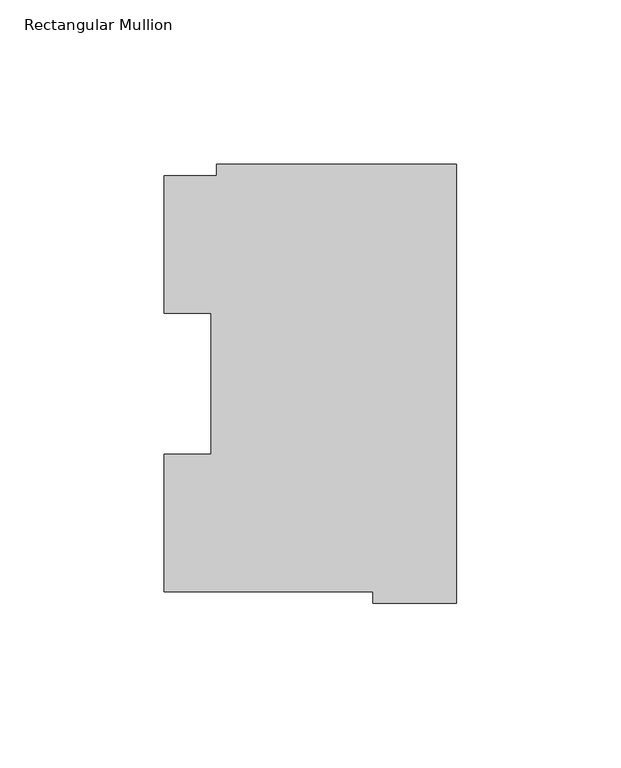
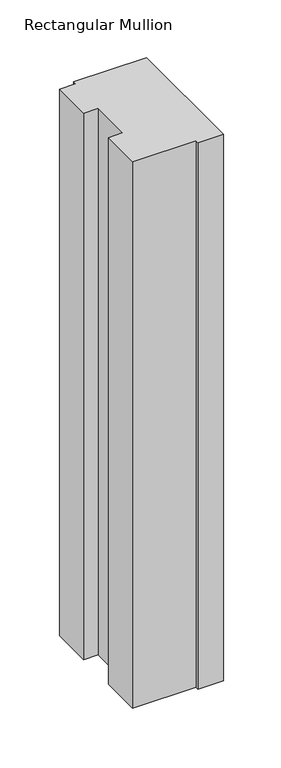
"""IFC4 building model written with IfcOpenShell, lengths in millimetres: member geometry, Rectangular Mullion."""

from ifc_helpers import new_model, si_unit, frame, origin, place, context, project, spatial, polyline, outline, extrude, source, transform, mapped, element, save


def rectangular_mullion_3b6fd9f6(model_context):
    return source(origin(), model_context, "Body", "SweptSolid", [
        extrude(outline(polyline([(-72.9776553, 130.1706837), (0.0, 130.1706837), (0.0, -3.193538), (-25.3822228, -3.193538), (-25.3822228, 0.26035), (-88.8822228, 0.26035), (-88.8822228, 42.0485036), (-74.5923808, 42.0485036), (-74.5923808, 84.93125), (-88.8822228, 84.93125), (-88.8822228, 126.75235), (-72.9776553, 126.75235), (-72.9776553, 130.1706837)])), frame((0.0, 0.0, -577.8497287), z_axis=(0.0, 0.0, 1.0), x_axis=(1.0, 0.0, 0.0)), (0.0, 0.0, 1.0), 577.8497287),
    ])


if __name__ == "__main__":
    model = new_model("IFC4")
    model_context = context("Model", 3, world=origin())
    ifc_project = project(units=[si_unit("LENGTHUNIT", "METRE", prefix="MILLI")], contexts=[model_context])
    site = spatial("IfcSite", under=ifc_project)
    building = spatial("IfcBuilding", under=site)
    placement = place(None, origin())
    rectangular_mullion_shape = rectangular_mullion_3b6fd9f6(model_context)
    element("IfcMember", 1, ObjectType="Rectangular Mullion", at=placement, inside=building, context=model_context, shape_type="MappedRepresentation", body=[
        mapped(rectangular_mullion_shape, transform((0.0, 0.0, 0.0), x_axis=(1.0, 0.0, 0.0), y_axis=(0.0, 1.0, 0.0), z_axis=(0.0, 0.0, 1.0))),
    ])
    save(model, "model.ifc")
